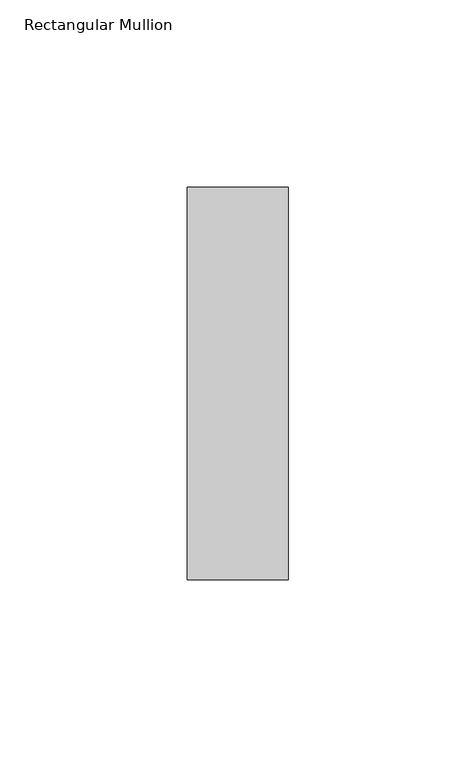
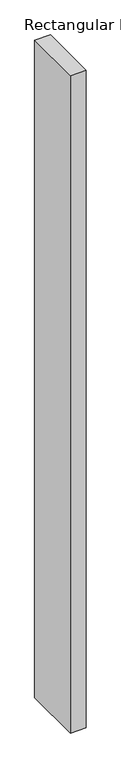
"""IFC4 building model written with IfcOpenShell, lengths in millimetres: member geometry, Rectangular Mullion."""

from ifc_helpers import new_model, si_unit, frame, origin, place, context, project, spatial, polyline, outline, extrude, source, transform, mapped, element, save


def rectangular_mullion_b3d3923d(model_context):
    return source(origin(), model_context, "Body", "SweptSolid", [
        extrude(outline(polyline([(-27.0, 52.3975), (0.0, 52.3975), (0.0, -52.3975), (-27.0, -52.3975), (-27.0, 52.3975)])), frame((0.0, 0.0, -1180.0), z_axis=(0.0, 0.0, 1.0), x_axis=(1.0, 0.0, 0.0)), (0.0, 0.0, 1.0), 1180.0),
    ])


if __name__ == "__main__":
    model = new_model("IFC4")
    model_context = context("Model", 3, world=origin())
    ifc_project = project(units=[si_unit("LENGTHUNIT", "METRE", prefix="MILLI")], contexts=[model_context])
    site = spatial("IfcSite", under=ifc_project)
    building = spatial("IfcBuilding", under=site)
    placement = place(None, origin())
    rectangular_mullion_shape = rectangular_mullion_b3d3923d(model_context)
    element("IfcMember", 1, ObjectType="Rectangular Mullion", at=placement, inside=building, context=model_context, shape_type="MappedRepresentation", body=[
        mapped(rectangular_mullion_shape, transform((0.0, 0.0, 0.0), x_axis=(1.0, 0.0, 0.0), y_axis=(0.0, 1.0, 0.0), z_axis=(0.0, 0.0, 1.0))),
    ])
    save(model, "model.ifc")
